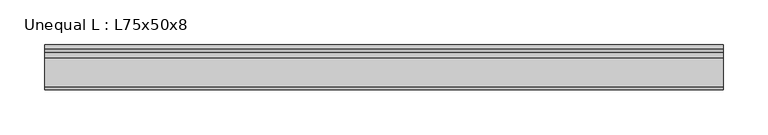
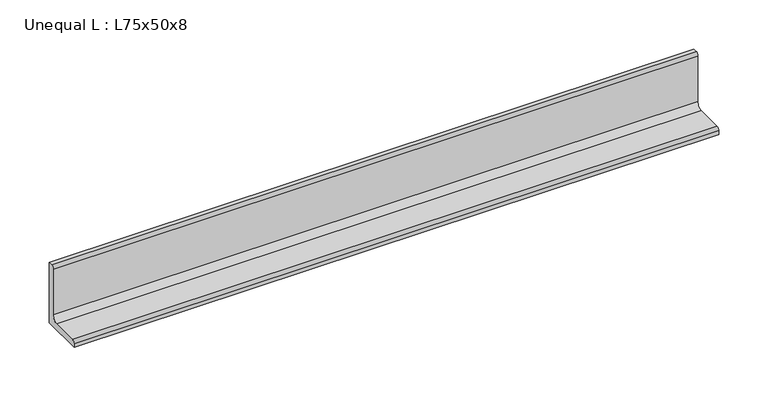
"""IFC4 building model written with IfcOpenShell, lengths in millimetres: beam geometry, Unequal L : L75x50x8."""

from ifc_helpers import new_model, si_unit, point, frame, frame_2d, origin, place, context, project, spatial, polyline, circle_curve, trimmed, segment, composite_curve, outline, extrude, source, transform, mapped, element, save


def unequal_l_l75x50x8_5206c15f(model_context):
    return source(origin(), model_context, "Body", "SweptSolid", [
        extrude(outline(composite_curve([segment(polyline([(12.9, -25.2), (-37.1, -25.2), (-37.1, -20.7)]), True, "CONTINUOUS"), segment(trimmed(circle_curve(frame_2d((-33.6, -20.7)), 3.5), [point((-37.1, -20.7))], [point((-33.6, -17.2))], False, "CARTESIAN"), True, "CONTINUOUS"), segment(polyline([(-33.6, -17.2), (-2.1, -17.2)]), True, "CONTINUOUS"), segment(trimmed(circle_curve(frame_2d((-2.1, -10.2)), 7.0), [point((-2.1, -17.2))], [point((4.9, -10.2))], True, "CARTESIAN"), True, "CONTINUOUS"), segment(polyline([(4.9, -10.2), (4.9, 46.3)]), True, "CONTINUOUS"), segment(trimmed(circle_curve(frame_2d((8.4, 46.3)), 3.5), [point((4.9, 46.3))], [point((8.4, 49.8))], False, "CARTESIAN"), True, "CONTINUOUS"), segment(polyline([(8.4, 49.8), (12.9, 49.8), (12.9, -25.2)]), True, "CONTINUOUS")], self_intersect=False)), frame((-404.20001, 0.0, 0.0), z_axis=(1.0, 0.0, 0.0), x_axis=(0.0, 1.0, 0.0)), (0.0, 0.0, 1.0), 754.0),
    ])


if __name__ == "__main__":
    model = new_model("IFC4")
    model_context = context("Model", 3, world=origin())
    ifc_project = project(units=[si_unit("LENGTHUNIT", "METRE", prefix="MILLI")], contexts=[model_context])
    site = spatial("IfcSite", under=ifc_project)
    building = spatial("IfcBuilding", under=site)
    placement = place(None, origin())
    unequal_l_l75x50x8_shape = unequal_l_l75x50x8_5206c15f(model_context)
    element("IfcBeam", 1, ObjectType="Unequal L : L75x50x8", at=placement, inside=building, context=model_context, shape_type="MappedRepresentation", body=[
        mapped(unequal_l_l75x50x8_shape, transform((0.0, 0.0, 0.0), x_axis=(1.0, 0.0, 0.0), y_axis=(0.0, 1.0, 0.0), z_axis=(0.0, 0.0, 1.0))),
    ])
    save(model, "model.ifc")
